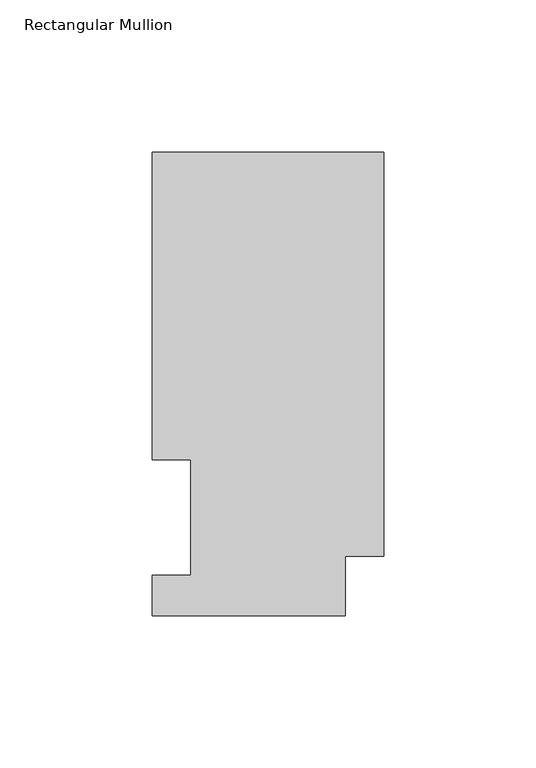
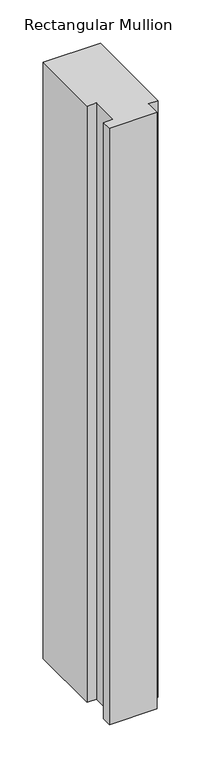
"""IFC4 building model written with IfcOpenShell, lengths in millimetres: member geometry, Rectangular Mullion."""

from ifc_helpers import new_model, si_unit, frame, origin, place, context, project, spatial, polyline, outline, extrude, source, transform, mapped, element, save


def rectangular_mullion_08f0aae9(model_context):
    return source(origin(), model_context, "Body", "SweptSolid", [
        extrude(outline(polyline([(-76.2, 152.4896937), (0.0, 152.4896937), (0.0, 19.5460937), (-12.7, 19.5460937), (-12.7, 0.0134938), (-76.2, 0.0134938), (-76.2, 13.1960938), (-63.5, 13.1960938), (-63.5, 51.2960937), (-76.2, 51.2960938), (-76.2, 152.4896937)])), frame((0.0, 0.0, -838.2), z_axis=(0.0, 0.0, 1.0), x_axis=(1.0, 0.0, 0.0)), (0.0, 0.0, 1.0), 838.2),
    ])


if __name__ == "__main__":
    model = new_model("IFC4")
    model_context = context("Model", 3, world=origin())
    ifc_project = project(units=[si_unit("LENGTHUNIT", "METRE", prefix="MILLI")], contexts=[model_context])
    site = spatial("IfcSite", under=ifc_project)
    building = spatial("IfcBuilding", under=site)
    placement = place(None, origin())
    rectangular_mullion_shape = rectangular_mullion_08f0aae9(model_context)
    element("IfcMember", 1, ObjectType="Rectangular Mullion", at=placement, inside=building, context=model_context, shape_type="MappedRepresentation", body=[
        mapped(rectangular_mullion_shape, transform((0.0, 0.0, 0.0), x_axis=(1.0, 0.0, 0.0), y_axis=(0.0, 1.0, 0.0), z_axis=(0.0, 0.0, 1.0))),
    ])
    save(model, "model.ifc")
